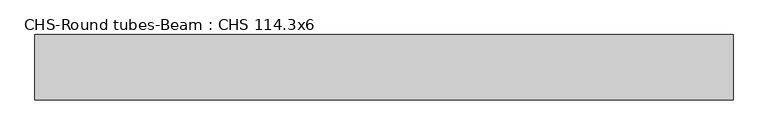
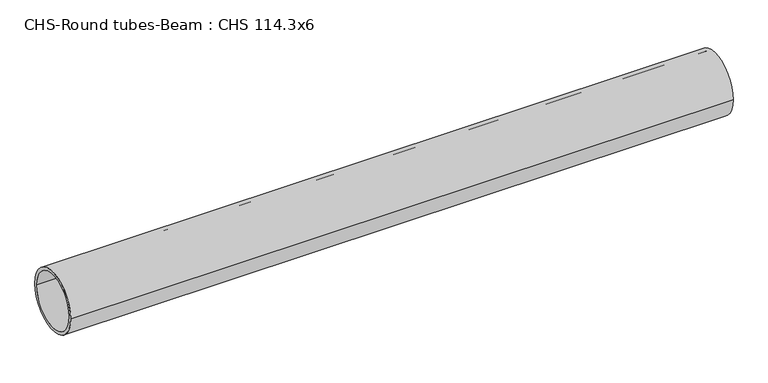
"""IFC4 building model written with IfcOpenShell, lengths in millimetres: beam geometry, CHS-Round tubes-Beam : CHS 114.3x6."""

from ifc_helpers import new_model, si_unit, point, frame, origin, origin_2d, place, context, project, spatial, circle_curve, trimmed, segment, composite_curve, outline, extrude, source, transform, mapped, element, save


def chs_round_tubes_beam_chs_114_3x6_34885cce(model_context):
    return source(origin(), model_context, "Body", "SweptSolid", [
        extrude(outline(composite_curve([segment(trimmed(circle_curve(origin_2d(), 57.15), [point((57.15, 0.0))], [point((-57.15, 0.0))], False, "CARTESIAN"), True, "CONTINUOUS"), segment(trimmed(circle_curve(origin_2d(), 57.15), [point((-57.15, 0.0))], [point((57.15, 0.0))], False, "CARTESIAN"), True, "CONTINUOUS")], self_intersect=False), holes=[composite_curve([segment(trimmed(circle_curve(origin_2d(), 51.15), [point((51.15, 0.0))], [point((-51.15, 0.0))], True, "CARTESIAN"), True, "CONTINUOUS"), segment(trimmed(circle_curve(origin_2d(), 51.15), [point((-51.15, 0.0))], [point((51.15, 0.0))], True, "CARTESIAN"), True, "CONTINUOUS")], self_intersect=False)]), frame((-632.9810064, 0.0, 0.0), z_axis=(1.0, 0.0, 0.0), x_axis=(0.0, 1.0, 0.0)), (0.0, 0.0, 1.0), 1220.2561317),
    ])


if __name__ == "__main__":
    model = new_model("IFC4")
    model_context = context("Model", 3, world=origin())
    ifc_project = project(units=[si_unit("LENGTHUNIT", "METRE", prefix="MILLI")], contexts=[model_context])
    site = spatial("IfcSite", under=ifc_project)
    building = spatial("IfcBuilding", under=site)
    placement = place(None, origin())
    chs_round_tubes_beam_chs_114_3x6_shape = chs_round_tubes_beam_chs_114_3x6_34885cce(model_context)
    element("IfcBeam", 1, ObjectType="CHS-Round tubes-Beam : CHS 114.3x6", at=placement, inside=building, context=model_context, shape_type="MappedRepresentation", body=[
        mapped(chs_round_tubes_beam_chs_114_3x6_shape, transform((0.0, 0.0, 0.0), x_axis=(1.0, 0.0, 0.0), y_axis=(0.0, 1.0, 0.0), z_axis=(0.0, 0.0, 1.0))),
    ])
    save(model, "model.ifc")
